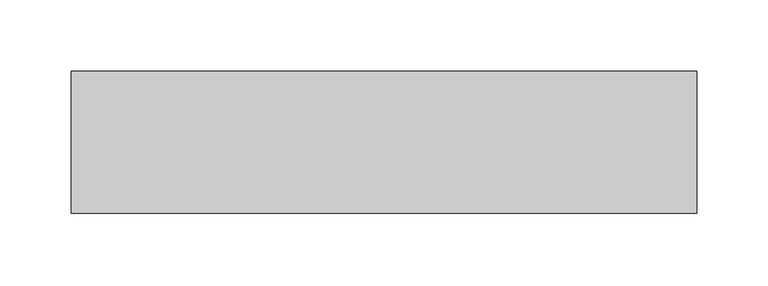
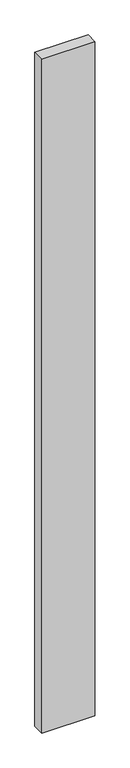
"""IFC4 building model written with IfcOpenShell, lengths in millimetres: proxy geometry."""

from ifc_helpers import new_model, si_unit, frame, origin, place, context, project, spatial, polyline, outline, extrude, source, transform, mapped, element, save


def generic_models_069c0db8(model_context):
    return source(origin(), model_context, "Body", "SweptSolid", [
        extrude(outline(polyline([(440.0, 100.0), (440.0, 0.0), (0.0, 0.0), (0.0, 100.0), (440.0, 100.0)])), frame((0.0, 0.0, -5900.0), z_axis=(0.0, 0.0, 1.0), x_axis=(1.0, 0.0, 0.0)), (0.0, 0.0, 1.0), 5900.0),
    ])


if __name__ == "__main__":
    model = new_model("IFC4")
    model_context = context("Model", 3, world=origin())
    ifc_project = project(units=[si_unit("LENGTHUNIT", "METRE", prefix="MILLI")], contexts=[model_context])
    site = spatial("IfcSite", under=ifc_project)
    building = spatial("IfcBuilding", under=site)
    placement = place(None, origin())
    generic_models_shape = generic_models_069c0db8(model_context)
    element("IfcBuildingElementProxy", 1, Name="Generic Models", at=placement, inside=building, context=model_context, shape_type="MappedRepresentation", body=[
        mapped(generic_models_shape, transform((0.0, 0.0, 0.0), x_axis=(1.0, 0.0, 0.0), y_axis=(0.0, 1.0, 0.0), z_axis=(0.0, 0.0, 1.0))),
    ])
    save(model, "model.ifc")
